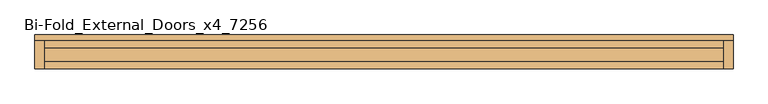
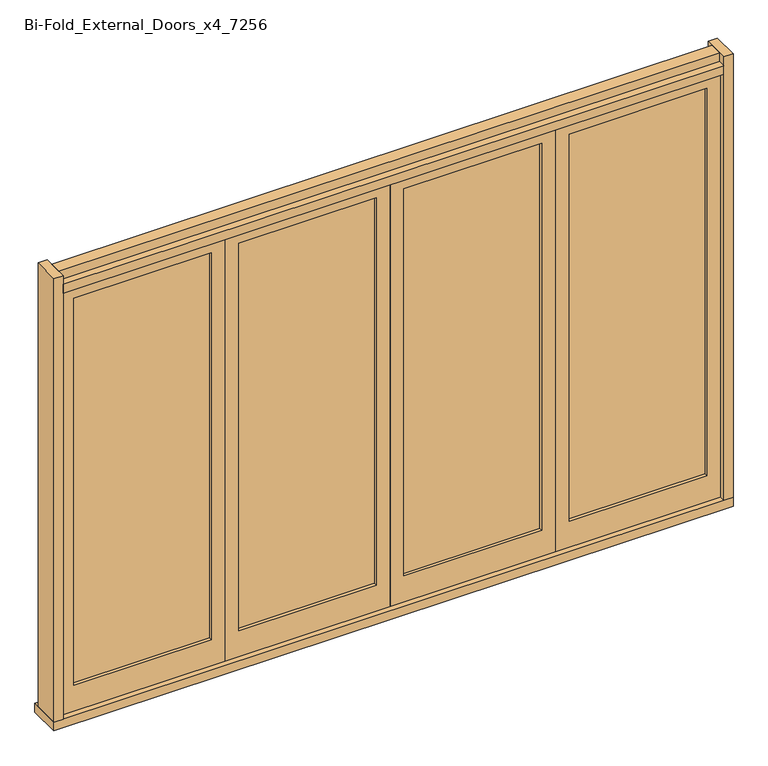
"""IFC4 building model written with IfcOpenShell, lengths in millimetres: door geometry, Bi-Fold_External_Doors_x4_7256."""

from ifc_helpers import new_model, si_unit, frame, origin, origin_with_axes, place, context, project, spatial, polyline, outline, extrude, source, transform, mapped, element, save


def bi_fold_external_doors_x4_7256_5d7d4f20(model_context):
    return source(origin(), model_context, "Body", "SweptSolid", [
        extrude(outline(polyline([(-1725.0, -8.0), (-975.0, -8.0), (-975.0, -12.0), (-1725.0, -12.0), (-1725.0, -8.0)])), frame((0.0, 0.0, 150.0), z_axis=(0.0, 0.0, 1.0), x_axis=(1.0, 0.0, 0.0)), (0.0, 0.0, 1.0), 2230.0),
        extrude(outline(polyline([(0.0, -1800.0), (0.0, -900.0), (2455.0, -900.0), (2455.0, -1800.0), (0.0, -1800.0)]), holes=[polyline([(2380.0, -975.0), (150.0, -975.0), (150.0, -1725.0), (2380.0, -1725.0), (2380.0, -975.0)])]), frame((0.0, -30.0, 0.0), z_axis=(0.0, 1.0, 0.0), x_axis=(0.0, 0.0, 1.0)), (0.0, 0.0, 1.0), 40.0),
        extrude(outline(polyline([(-825.0, -8.0), (-75.0, -8.0), (-75.0, -12.0), (-825.0, -12.0), (-825.0, -8.0)])), frame((0.0, 0.0, 150.0), z_axis=(0.0, 0.0, 1.0), x_axis=(1.0, 0.0, 0.0)), (0.0, 0.0, 1.0), 2230.0),
        extrude(outline(polyline([(0.0, -900.0), (0.0, 0.0), (2455.0, 0.0), (2455.0, -900.0), (0.0, -900.0)]), holes=[polyline([(2380.0, -75.0), (150.0, -75.0), (150.0, -825.0), (2380.0, -825.0), (2380.0, -75.0)])]), frame((0.0, -30.0, 0.0), z_axis=(0.0, 1.0, 0.0), x_axis=(0.0, 0.0, 1.0)), (0.0, 0.0, 1.0), 40.0),
        extrude(outline(polyline([(75.0, -8.0), (825.0, -8.0), (825.0, -12.0), (75.0, -12.0), (75.0, -8.0)])), frame((0.0, 0.0, 150.0), z_axis=(0.0, 0.0, 1.0), x_axis=(1.0, 0.0, 0.0)), (0.0, 0.0, 1.0), 2230.0),
        extrude(outline(polyline([(0.0, 0.0), (0.0, 900.0), (2455.0, 900.0), (2455.0, 0.0), (0.0, 0.0)]), holes=[polyline([(2380.0, 825.0), (150.0, 825.0), (150.0, 75.0), (2380.0, 75.0), (2380.0, 825.0)])]), frame((0.0, -30.0, 0.0), z_axis=(0.0, 1.0, 0.0), x_axis=(0.0, 0.0, 1.0)), (0.0, 0.0, 1.0), 40.0),
        extrude(outline(polyline([(975.0, -8.0), (1725.0, -8.0), (1725.0, -12.0), (975.0, -12.0), (975.0, -8.0)])), frame((0.0, 0.0, 150.0), z_axis=(0.0, 0.0, 1.0), x_axis=(1.0, 0.0, 0.0)), (0.0, 0.0, 1.0), 2230.0),
        extrude(outline(polyline([(0.0, 900.0), (0.0, 1800.0), (2455.0, 1800.0), (2455.0, 900.0), (0.0, 900.0)]), holes=[polyline([(2380.0, 1725.0), (150.0, 1725.0), (150.0, 975.0), (2380.0, 975.0), (2380.0, 1725.0)])]), frame((0.0, -30.0, 0.0), z_axis=(0.0, 1.0, 0.0), x_axis=(0.0, 0.0, 1.0)), (0.0, 0.0, 1.0), 40.0),
        extrude(outline(polyline([(-1800.0, -62.0), (-1850.0, -62.0), (-1850.0, 88.0), (-1800.0, 88.0), (-1800.0, -62.0)])), origin_with_axes(), (0.0, 0.0, 1.0), 2555.0),
        extrude(outline(polyline([(1800.0, -62.0), (1800.0, 88.0), (1850.0, 88.0), (1850.0, -62.0), (1800.0, -62.0)])), origin_with_axes(), (0.0, 0.0, 1.0), 2555.0),
        extrude(outline(polyline([(1850.0, 118.0), (1850.0, -62.0), (-1850.0, -62.0), (-1850.0, 118.0), (1850.0, 118.0)])), frame((0.0, 0.0, -50.0), z_axis=(0.0, 0.0, 1.0), x_axis=(1.0, 0.0, 0.0)), (0.0, 0.0, 1.0), 50.0),
        extrude(outline(polyline([(88.0, 2455.0), (-62.0, 2455.0), (-62.0, 2505.0), (-22.0, 2505.0), (-22.0, 2555.0), (48.0, 2555.0), (48.0, 2505.0), (88.0, 2505.0), (88.0, 2455.0)])), frame((-1800.0, 0.0, 0.0), z_axis=(1.0, 0.0, 0.0), x_axis=(0.0, 1.0, 0.0)), (0.0, 0.0, 1.0), 3600.0),
    ])


if __name__ == "__main__":
    model = new_model("IFC4")
    model_context = context("Model", 3, world=origin())
    ifc_project = project(units=[si_unit("LENGTHUNIT", "METRE", prefix="MILLI")], contexts=[model_context])
    site = spatial("IfcSite", under=ifc_project)
    building = spatial("IfcBuilding", under=site)
    placement = place(None, origin())
    bi_fold_external_doors_x4_7256_shape = bi_fold_external_doors_x4_7256_5d7d4f20(model_context)
    element("IfcDoor", 1, ObjectType="Bi-Fold_External_Doors_x4_7256", at=placement, inside=building, context=model_context, shape_type="MappedRepresentation", body=[
        mapped(bi_fold_external_doors_x4_7256_shape, transform((0.0, 0.0, 0.0), x_axis=(1.0, 0.0, 0.0), y_axis=(0.0, 1.0, 0.0), z_axis=(0.0, 0.0, 1.0))),
    ])
    save(model, "model.ifc")
